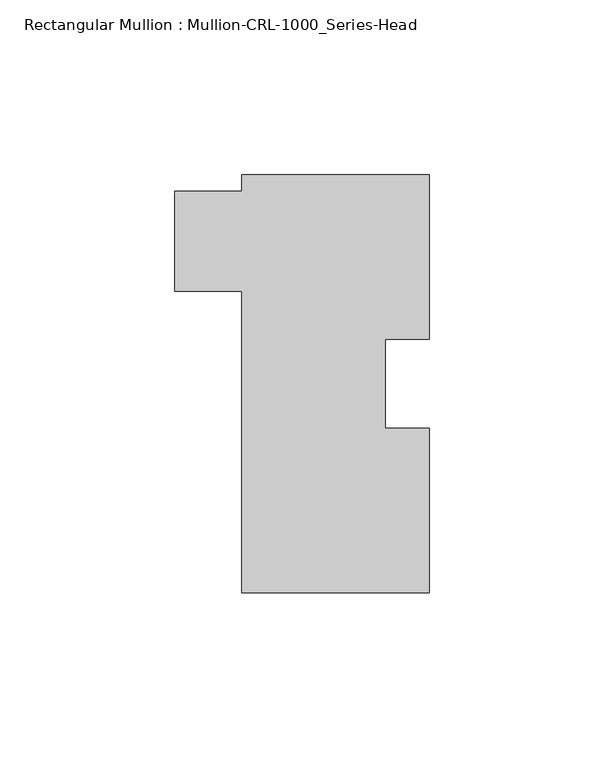
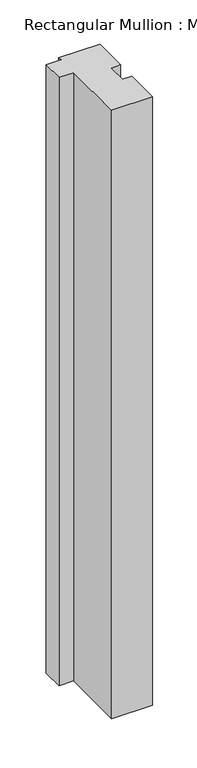
"""IFC4 building model written with IfcOpenShell, lengths in millimetres: member geometry, Rectangular Mullion : Mullion-CRL-1000_Series-Head."""

from ifc_helpers import new_model, si_unit, frame, origin, place, context, project, spatial, polyline, outline, extrude, source, transform, mapped, element, save


def rectangular_mullion_mullion_crl_1000_series_head_8470e980(model_context):
    return source(origin(), model_context, "Body", "SweptSolid", [
        extrude(outline(polyline([(-41.0845247, -59.6906795), (-41.0845247, 26.4037895), (-60.1345778, 26.4037895), (-60.1345778, 54.9787895), (-41.0845247, 54.9787895), (-41.0845247, 59.6906795), (12.5094758, 59.6906795), (12.5094758, 12.7), (0.0, 12.7), (0.0, -12.7), (12.5094758, -12.7), (12.5094758, -59.6906795), (-41.0845247, -59.6906795)])), frame((0.0, 0.0, -838.2), z_axis=(0.0, 0.0, 1.0), x_axis=(1.0, 0.0, 0.0)), (0.0, 0.0, 1.0), 838.2),
    ])


if __name__ == "__main__":
    model = new_model("IFC4")
    model_context = context("Model", 3, world=origin())
    ifc_project = project(units=[si_unit("LENGTHUNIT", "METRE", prefix="MILLI")], contexts=[model_context])
    site = spatial("IfcSite", under=ifc_project)
    building = spatial("IfcBuilding", under=site)
    placement = place(None, origin())
    rectangular_mullion_mullion_crl_1000_series_head_shape = rectangular_mullion_mullion_crl_1000_series_head_8470e980(model_context)
    element("IfcMember", 1, ObjectType="Rectangular Mullion : Mullion-CRL-1000_Series-Head", at=placement, inside=building, context=model_context, shape_type="MappedRepresentation", body=[
        mapped(rectangular_mullion_mullion_crl_1000_series_head_shape, transform((0.0, 0.0, 0.0), x_axis=(1.0, 0.0, 0.0), y_axis=(0.0, 1.0, 0.0), z_axis=(0.0, 0.0, 1.0))),
    ])
    save(model, "model.ifc")
